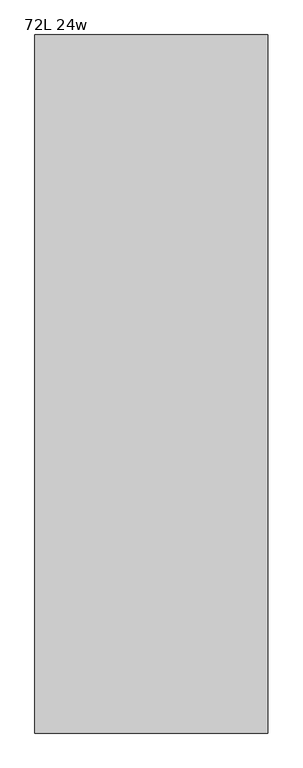
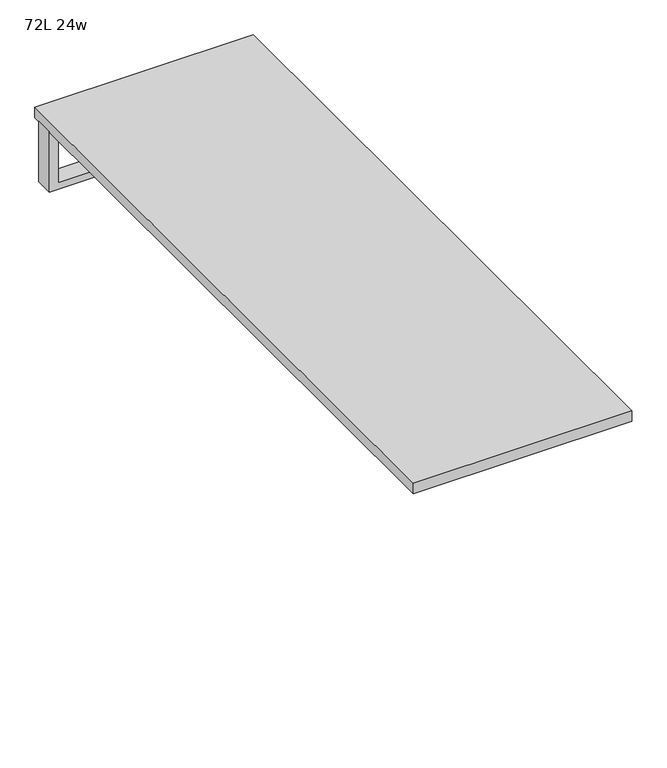
"""IFC4 building model written with IfcOpenShell, lengths in millimetres: furniture geometry, 72L 24w."""

from ifc_helpers import new_model, si_unit, frame, origin, place, context, project, spatial, polyline, outline, extrude, source, transform, mapped, element, save


def furniture_72l_24w_b75b2910(model_context):
    return source(origin(), model_context, "Body", "SweptSolid", [
        extrude(outline(polyline([(-279.4, 854.075), (-279.4, 885.825), (254.0, 885.825), (254.0, 854.075), (-279.4, 854.075)])), frame((0.0, 0.0, 661.9875), z_axis=(0.0, 0.0, 1.0), x_axis=(1.0, 0.0, 0.0)), (0.0, 0.0, 1.0), 44.45),
        extrude(outline(polyline([(528.6375, 254.0), (0.0, 254.0), (0.0, 279.4), (706.4375, 279.4), (706.4375, 254.0), (547.6875, 254.0), (547.6875, -279.4), (706.4375, -279.4), (706.4375, -304.8), (528.6375, -304.8), (528.6375, 254.0)])), frame((0.0, 844.55, 0.0), z_axis=(0.0, 1.0, 0.0), x_axis=(0.0, 0.0, 1.0)), (0.0, 0.0, 1.0), 50.8),
        extrude(outline(polyline([(-304.8, 914.4), (304.8, 914.4), (304.8, -914.4), (-304.8, -914.4), (-304.8, 914.4)])), frame((0.0, 0.0, 706.4375), z_axis=(0.0, 0.0, 1.0), x_axis=(1.0, 0.0, 0.0)), (0.0, 0.0, 1.0), 30.1625),
    ])


if __name__ == "__main__":
    model = new_model("IFC4")
    model_context = context("Model", 3, world=origin())
    ifc_project = project(units=[si_unit("LENGTHUNIT", "METRE", prefix="MILLI")], contexts=[model_context])
    site = spatial("IfcSite", under=ifc_project)
    building = spatial("IfcBuilding", under=site)
    placement = place(None, origin())
    furniture_72l_24w_shape = furniture_72l_24w_b75b2910(model_context)
    element("IfcFurniture", 1, ObjectType="72L 24w", at=placement, inside=building, context=model_context, shape_type="MappedRepresentation", body=[
        mapped(furniture_72l_24w_shape, transform((0.0, 0.0, 0.0), x_axis=(1.0, 0.0, 0.0), y_axis=(0.0, 1.0, 0.0), z_axis=(0.0, 0.0, 1.0))),
    ])
    save(model, "model.ifc")
